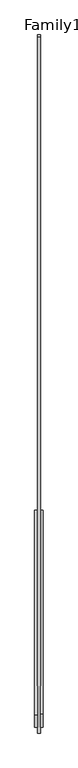
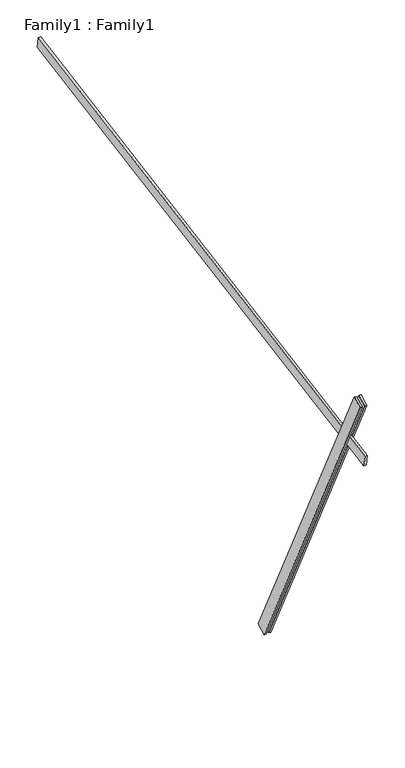
"""IFC4 building model written with IfcOpenShell, lengths in millimetres: proxy geometry, Family1 : Family1."""

from ifc_helpers import new_model, si_unit, frame, origin, place, context, project, spatial, polyline, outline, extrude, source, transform, mapped, element, save


def family1_family1_eabb2558(model_context):
    return source(origin(), model_context, "Body", "SweptSolid", [
        extrude(outline(polyline([(0.0, 0.0), (-100.0000001, 0.0), (-100.0000001, 20.0), (0.0, 20.0), (0.0, 0.0)])), frame((-30.0, -46.3241747, -22.5938096), z_axis=(0.0, -0.4383711467890692, 0.8987940462991711), x_axis=(0.0, -0.8987940462991711, -0.4383711467890692)), (0.0, 0.0, 1.0), 3300.0),
        extrude(outline(polyline([(0.0, 0.0), (-99.9999999, 0.0), (-99.9999999, 20.0), (0.0, 20.0), (0.0, 0.0)])), frame((10.0, -45.270232, -22.0797674), z_axis=(0.0, -0.4383711467890692, 0.8987940462991711), x_axis=(0.0, -0.8987940462991711, -0.4383711467890692)), (0.0, 0.0, 1.0), 3300.0),
        extrude(outline(polyline([(0.0, 20.0), (5000.0, 20.0), (5000.0, 0.0), (0.0, 0.0), (0.0, 20.0)])), frame((-10.0, 3408.1284885, 3283.2276554), z_axis=(0.0, -0.17364817766693277, 0.9848077530122078), x_axis=(0.0, -0.9848077530122078, -0.17364817766693277)), (0.0, 0.0, 1.0), 100.0),
    ])


if __name__ == "__main__":
    model = new_model("IFC4")
    model_context = context("Model", 3, world=origin())
    ifc_project = project(units=[si_unit("LENGTHUNIT", "METRE", prefix="MILLI")], contexts=[model_context])
    site = spatial("IfcSite", under=ifc_project)
    building = spatial("IfcBuilding", under=site)
    placement = place(None, origin())
    family1_family1_shape = family1_family1_eabb2558(model_context)
    element("IfcBuildingElementProxy", 1, Name="Family1 : Family1", ObjectType="Family1 : Family1", at=placement, inside=building, context=model_context, shape_type="MappedRepresentation", body=[
        mapped(family1_family1_shape, transform((0.0, 0.0, 0.0), x_axis=(1.0, 0.0, 0.0), y_axis=(0.0, 1.0, 0.0), z_axis=(0.0, 0.0, 1.0))),
    ])
    save(model, "model.ifc")
